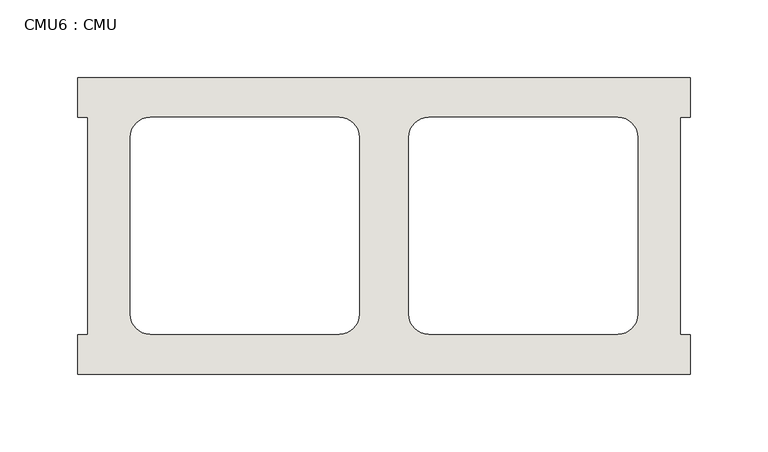
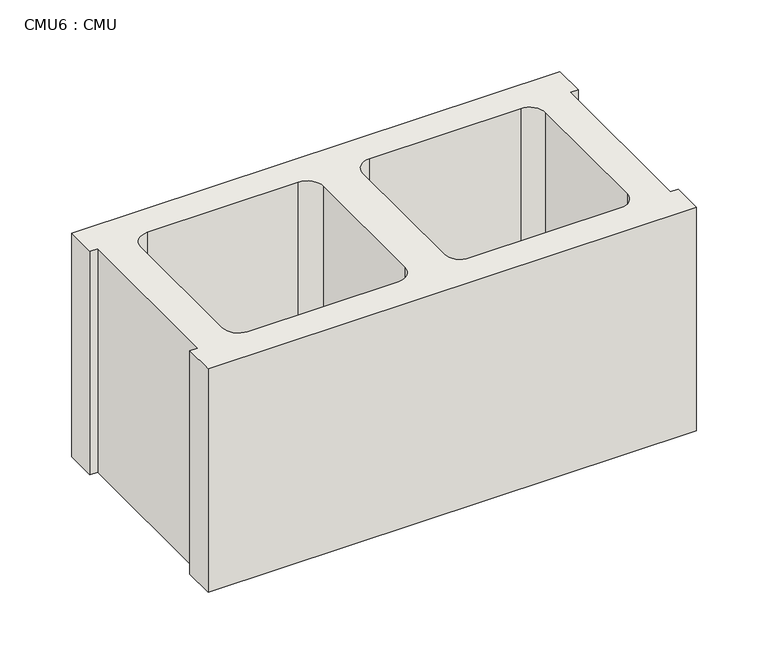
"""IFC4 building model written with IfcOpenShell, lengths in millimetres: wall geometry, CMU6 : CMU."""

from ifc_helpers import new_model, si_unit, point, frame, frame_2d, origin, place, context, project, spatial, polyline, circle_curve, trimmed, segment, composite_curve, outline, extrude, source, transform, mapped, element, save


def cmu6_cmu_65e0ea2a(model_context):
    return source(origin(), model_context, "Body", "SweptSolid", [
        extrude(outline(polyline([(458.6602062, 2484.2276522), (852.3602062, 2484.2276522), (852.3602062, 2458.8276522), (846.0102062, 2458.8276522), (846.0102062, 2319.1276522), (852.3602062, 2319.1276522), (852.3602062, 2293.7276522), (458.6602062, 2293.7276522), (458.6602062, 2319.1276522), (465.0102062, 2319.1276522), (465.0102062, 2458.8276522), (458.6602062, 2458.8276522), (458.6602062, 2484.2276522)]), holes=[composite_curve([segment(polyline([(626.8282049, 2458.8276522), (505.1115548, 2458.8276522)]), True, "CONTINUOUS"), segment(trimmed(circle_curve(frame_2d((505.1115548, 2446.1276522)), 12.7), [point((505.1115548, 2458.8276522))], [point((492.4115548, 2446.1276522))], True, "CARTESIAN"), True, "CONTINUOUS"), segment(polyline([(492.4115548, 2446.1276522), (492.4115548, 2332.0618125)]), True, "CONTINUOUS"), segment(trimmed(circle_curve(frame_2d((505.1115548, 2332.0618125)), 12.7), [point((492.4115548, 2332.0618125))], [point((505.1115548, 2319.3618125))], True, "CARTESIAN"), True, "CONTINUOUS"), segment(polyline([(505.1115548, 2319.3618125), (626.8282049, 2319.3618125)]), True, "CONTINUOUS"), segment(trimmed(circle_curve(frame_2d((626.8282049, 2332.0618125)), 12.7), [point((626.8282049, 2319.3618125))], [point((639.5282049, 2332.0618125))], True, "CARTESIAN"), True, "CONTINUOUS"), segment(polyline([(639.5282049, 2332.0618125), (639.5282049, 2446.1276522)]), True, "CONTINUOUS"), segment(trimmed(circle_curve(frame_2d((626.8282049, 2446.1276522)), 12.7), [point((639.5282049, 2446.1276522))], [point((626.8282049, 2458.8276522))], True, "CARTESIAN"), True, "CONTINUOUS")], self_intersect=False), composite_curve([segment(trimmed(circle_curve(frame_2d((684.1922075, 2446.1276522)), 12.7), [point((684.1922075, 2458.8276522))], [point((671.4922075, 2446.1276522))], True, "CARTESIAN"), True, "CONTINUOUS"), segment(polyline([(671.4922075, 2446.1276522), (671.4922075, 2332.0618125)]), True, "CONTINUOUS"), segment(trimmed(circle_curve(frame_2d((684.1922075, 2332.0618125)), 12.7), [point((671.4922075, 2332.0618125))], [point((684.1922075, 2319.3618125))], True, "CARTESIAN"), True, "CONTINUOUS"), segment(polyline([(684.1922075, 2319.3618125), (805.9088576, 2319.3618125)]), True, "CONTINUOUS"), segment(trimmed(circle_curve(frame_2d((805.9088576, 2332.0618125)), 12.7), [point((805.9088576, 2319.3618125))], [point((818.6088576, 2332.0618125))], True, "CARTESIAN"), True, "CONTINUOUS"), segment(polyline([(818.6088576, 2332.0618125), (818.6088576, 2446.1276522)]), True, "CONTINUOUS"), segment(trimmed(circle_curve(frame_2d((805.9088576, 2446.1276522)), 12.7), [point((818.6088576, 2446.1276522))], [point((805.9088576, 2458.8276522))], True, "CARTESIAN"), True, "CONTINUOUS"), segment(polyline([(805.9088576, 2458.8276522), (684.1922075, 2458.8276522)]), True, "CONTINUOUS")], self_intersect=False)]), frame((0.0, 0.0, 317.5), z_axis=(0.0, 0.0, 1.0), x_axis=(1.0, 0.0, 0.0)), (0.0, 0.0, 1.0), 190.5),
    ])


if __name__ == "__main__":
    model = new_model("IFC4")
    model_context = context("Model", 3, world=origin())
    ifc_project = project(units=[si_unit("LENGTHUNIT", "METRE", prefix="MILLI")], contexts=[model_context])
    site = spatial("IfcSite", under=ifc_project)
    building = spatial("IfcBuilding", under=site)
    placement = place(None, origin())
    cmu6_cmu_shape = cmu6_cmu_65e0ea2a(model_context)
    element("IfcWall", 1, ObjectType="CMU6 : CMU", at=placement, inside=building, context=model_context, shape_type="MappedRepresentation", body=[
        mapped(cmu6_cmu_shape, transform((0.0, 0.0, 0.0), x_axis=(1.0, 0.0, 0.0), y_axis=(0.0, 1.0, 0.0), z_axis=(0.0, 0.0, 1.0))),
    ])
    save(model, "model.ifc")
